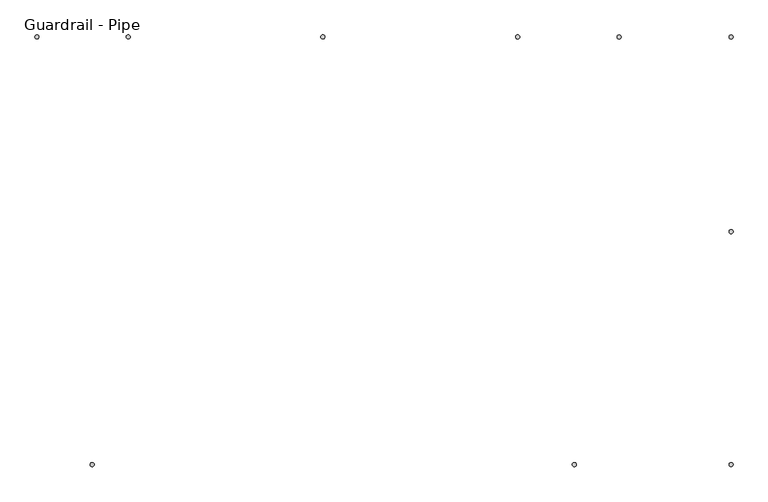
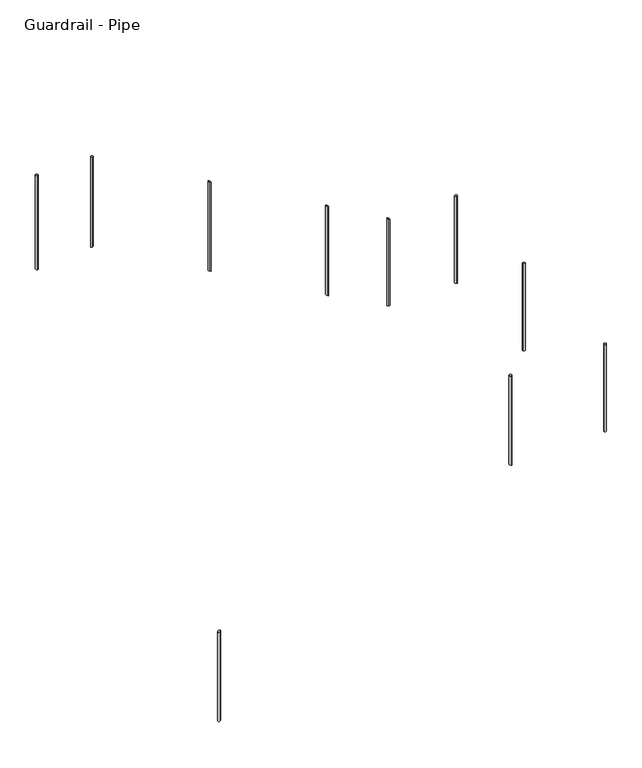
"""IFC4 building model written with IfcOpenShell, lengths in millimetres: railing geometry, Guardrail - Pipe."""

from ifc_helpers import new_model, si_unit, point, frame, frame_2d, origin, origin_with_axes, place, context, project, spatial, circle_curve, ellipse_curve, trimmed, segment, composite_curve, outline, extrude, source, transform, mapped, element, save
from ifc_brep_helpers import plane_surface, cylinder_surface, advanced_brep


def guardrail_pipe_e0b68797(model_context):
    return source(origin(), model_context, "Body", "SolidModel", [
        extrude(outline(composite_curve([segment(trimmed(circle_curve(frame_2d((6728.7452881, -22302.0340928)), 12.7), [point((6716.0452881, -22302.0340928))], [point((6741.4452881, -22302.0340928))], False, "CARTESIAN"), True, "CONTINUOUS"), segment(trimmed(circle_curve(frame_2d((6728.7452881, -22302.0340928)), 12.7), [point((6741.4452881, -22302.0340928))], [point((6716.0452881, -22302.0340928))], False, "CARTESIAN"), True, "CONTINUOUS")], self_intersect=False)), frame((0.0, 0.0, -1673.0869565), z_axis=(0.0, 0.0, 1.0), x_axis=(1.0, 0.0, 0.0)), (0.0, 0.0, 1.0), 952.5),
        advanced_brep(
        [(5392.1904629, -21070.1340928, -364.8447391), (5392.1904629, -21095.5340928, -364.8447391), (5392.1904629, -21095.5340928, -1338.1137166), (5392.1904629, -21070.1340928, -1338.1137166)],
        [
            (0, 1, ellipse_curve(frame((5392.1904629, -21082.8340928, -364.8447391), z_axis=(-0.4997041800472086, 0.0, -0.8661961281622926), x_axis=(-0.8661961281622927, 0.0, 0.49970418004720873)), 14.6618065, 12.7)),
            (1, 2),
            (2, 3, ellipse_curve(frame((5392.1904629, -21082.8340928, -1338.1137166), z_axis=(0.5002134764839171, 0.0, 0.8659021179924863), x_axis=(-0.8659021179924862, 0.0, 0.5002134764839172)), 14.6667848, 12.7)),
            (3, 0),
            (3, 2, ellipse_curve(frame((5392.1904629, -21082.8340928, -1338.1137166), z_axis=(0.5002134764839171, 0.0, 0.8659021179924863), x_axis=(-0.8659021179924862, 0.0, 0.5002134764839172)), 14.6667848, 12.7)),
            (1, 0, ellipse_curve(frame((5392.1904629, -21082.8340928, -364.8447391), z_axis=(-0.4997041800472086, 0.0, -0.8661961281622926), x_axis=(-0.8661961281622927, 0.0, 0.49970418004720873)), 14.6618065, 12.7)),
        ],
        [
            cylinder_surface(frame((5392.1904629, -21082.8340928, -1566.7137166), z_axis=(0.0, 0.0, 1.0), x_axis=(0.0, -1.0, 0.0)), 12.7),
            plane_surface(frame((5417.5904629, -21108.2340928, -379.4978711), z_axis=(0.4997041800472086, 0.0, 0.8661961281622926), x_axis=(0.0, 1.0, 0.0))),
            plane_surface(frame((5366.7904629, -21108.2340928, -1323.4406698), z_axis=(-0.5002134764839171, 0.0, -0.8659021179924863), x_axis=(0.0, 1.0, 0.0))),
        ],
        [
            (0, [[1, 2, 3, 4]]),
            (0, [[5, -2, 6, -4]]),
            (1, [[-6, -1]]),
            (2, [[-5, -3]]),
        ],
    ),
        advanced_brep(
        [(4172.9904629, -21070.1340928, 329.0872767), (4172.9904629, -21095.5340928, 329.0872767), (4172.9904629, -21095.5340928, -644.1817008), (4172.9904629, -21070.1340928, -644.1817008)],
        [
            (0, 1, ellipse_curve(frame((4172.9904629, -21082.8340928, 329.0872767), z_axis=(-0.4997041800472086, 0.0, -0.8661961281622926), x_axis=(-0.8661961281622927, 0.0, 0.49970418004720873)), 14.6618065, 12.7)),
            (1, 2),
            (2, 3, ellipse_curve(frame((4172.9904629, -21082.8340928, -644.1817008), z_axis=(0.5002134764839171, 0.0, 0.8659021179924863), x_axis=(-0.8659021179924862, 0.0, 0.5002134764839172)), 14.6667848, 12.7)),
            (3, 0),
            (3, 2, ellipse_curve(frame((4172.9904629, -21082.8340928, -644.1817008), z_axis=(0.5002134764839171, 0.0, 0.8659021179924863), x_axis=(-0.8659021179924862, 0.0, 0.5002134764839172)), 14.6667848, 12.7)),
            (1, 0, ellipse_curve(frame((4172.9904629, -21082.8340928, 329.0872767), z_axis=(-0.4997041800472086, 0.0, -0.8661961281622926), x_axis=(-0.8661961281622927, 0.0, 0.49970418004720873)), 14.6618065, 12.7)),
        ],
        [
            cylinder_surface(frame((4172.9904629, -21082.8340928, -872.7817008), z_axis=(0.0, 0.0, 1.0), x_axis=(0.0, -1.0, 0.0)), 12.7),
            plane_surface(frame((4198.3904629, -21108.2340928, 314.4341447), z_axis=(0.4997041800472086, 0.0, 0.8661961281622926), x_axis=(0.0, 1.0, 0.0))),
            plane_surface(frame((4147.5904629, -21108.2340928, -629.508654), z_axis=(-0.5002134764839171, 0.0, -0.8659021179924863), x_axis=(0.0, 1.0, 0.0))),
        ],
        [
            (0, [[1, 2, 3, 4]]),
            (0, [[5, -2, 6, -4]]),
            (1, [[-6, -1]]),
            (2, [[-5, -3]]),
        ],
    ),
        advanced_brep(
        [(5747.7904629, -23772.7087769, -720.5869565), (5747.7904629, -23747.3087769, -720.5869565), (5747.7904629, -23747.3087769, -1698.7854413), (5747.7904629, -23772.7087769, -1698.7854413)],
        [
            (0, 1, circle_curve(frame((5747.7904629, -23760.0087769, -720.5869565), z_axis=(0.0, 0.0, -1.0), x_axis=(0.0, 1.0, 0.0)), 12.7)),
            (1, 2),
            (2, 3, ellipse_curve(frame((5747.7904629, -23760.0087769, -1698.7854413), z_axis=(0.5002134764839166, 0.0, 0.8659021179924866), x_axis=(-0.8659021179924866, 0.0, 0.5002134764839167)), 14.6667848, 12.7)),
            (3, 0),
            (3, 2, ellipse_curve(frame((5747.7904629, -23760.0087769, -1698.7854413), z_axis=(0.5002134764839166, 0.0, 0.8659021179924866), x_axis=(-0.8659021179924866, 0.0, 0.5002134764839167)), 14.6667848, 12.7)),
            (1, 0, circle_curve(frame((5747.7904629, -23760.0087769, -720.5869565), z_axis=(0.0, 0.0, -1.0), x_axis=(0.0, 1.0, 0.0)), 12.7)),
        ],
        [
            cylinder_surface(frame((5747.7904629, -23760.0087769, -1927.3854413), z_axis=(0.0, 0.0, 1.0), x_axis=(0.0, 1.0, 0.0)), 12.7),
            plane_surface(frame((5722.3904629, -23734.6087769, -720.5869565), z_axis=(0.0, 0.0, 1.0), x_axis=(0.0, -1.0, 0.0))),
            plane_surface(frame((5773.1904629, -23734.6087769, -1713.4584881), z_axis=(-0.5002134764839166, 0.0, -0.8659021179924866), x_axis=(0.0, -1.0, 0.0))),
        ],
        [
            (0, [[1, 2, 3, 4]]),
            (0, [[5, -2, 6, -4]]),
            (1, [[-6, -1]]),
            (2, [[-5, -3]]),
        ],
    ),
        extrude(outline(composite_curve([segment(trimmed(circle_curve(frame_2d((6728.7452881, -23760.0087769)), 12.7), [point((6716.0452881, -23760.0087769))], [point((6741.4452881, -23760.0087769))], False, "CARTESIAN"), True, "CONTINUOUS"), segment(trimmed(circle_curve(frame_2d((6728.7452881, -23760.0087769)), 12.7), [point((6741.4452881, -23760.0087769))], [point((6716.0452881, -23760.0087769))], False, "CARTESIAN"), True, "CONTINUOUS")], self_intersect=False)), frame((0.0, 0.0, -1673.0869565), z_axis=(0.0, 0.0, 1.0), x_axis=(1.0, 0.0, 0.0)), (0.0, 0.0, 1.0), 952.5),
        extrude(outline(composite_curve([segment(trimmed(circle_curve(frame_2d((6728.7452881, -21082.8340928)), 12.7), [point((6728.7452881, -21095.5340928))], [point((6728.7452881, -21070.1340928))], False, "CARTESIAN"), True, "CONTINUOUS"), segment(trimmed(circle_curve(frame_2d((6728.7452881, -21082.8340928)), 12.7), [point((6728.7452881, -21070.1340928))], [point((6728.7452881, -21095.5340928))], False, "CARTESIAN"), True, "CONTINUOUS")], self_intersect=False)), frame((0.0, 0.0, -1673.0869565), z_axis=(0.0, 0.0, 1.0), x_axis=(1.0, 0.0, 0.0)), (0.0, 0.0, 1.0), 952.5),
        advanced_brep(
        [(6027.1904629, -21070.1340928, -726.3260431), (6027.1904629, -21095.5340928, -726.3260431), (6027.1904629, -21095.5340928, -1673.0869565), (6027.1904629, -21070.1340928, -1673.0869565)],
        [
            (0, 1, ellipse_curve(frame((6027.1904629, -21082.8340928, -726.3260431), z_axis=(-0.49465847024287646, 0.0, -0.8690874511906022), x_axis=(-0.8690874511906022, 0.0, 0.4946584702428766)), 14.6130289, 12.7)),
            (1, 2),
            (2, 3, circle_curve(frame((6027.1904629, -21082.8340928, -1673.0869565), z_axis=(0.0, 0.0, 1.0), x_axis=(0.0, -1.0, 0.0)), 12.7)),
            (3, 0),
            (3, 2, circle_curve(frame((6027.1904629, -21082.8340928, -1673.0869565), z_axis=(0.0, 0.0, 1.0), x_axis=(0.0, -1.0, 0.0)), 12.7)),
            (1, 0, ellipse_curve(frame((6027.1904629, -21082.8340928, -726.3260431), z_axis=(-0.49465847024287646, 0.0, -0.8690874511906022), x_axis=(-0.8690874511906022, 0.0, 0.4946584702428766)), 14.6130289, 12.7)),
        ],
        [
            cylinder_surface(frame((6027.1904629, -21082.8340928, -1901.6869565), z_axis=(0.0, 0.0, 1.0), x_axis=(0.0, -1.0, 0.0)), 12.7),
            plane_surface(frame((6052.5904629, -21108.2340928, -740.7829601), z_axis=(0.49465847024287646, 0.0, 0.8690874511906022), x_axis=(0.0, 1.0, 0.0))),
            plane_surface(frame((6001.7904629, -21108.2340928, -1673.0869565), z_axis=(0.0, 0.0, -1.0), x_axis=(0.0, 1.0, 0.0))),
        ],
        [
            (0, [[1, 2, 3, 4]]),
            (0, [[5, -2, 6, -4]]),
            (1, [[-6, -1]]),
            (2, [[-5, -3]]),
        ],
    ),
        advanced_brep(
        [(2953.7904629, -21070.1340928, 1028.7), (2953.7904629, -21095.5340928, 1028.7), (2953.7904629, -21095.5340928, 49.750315), (2953.7904629, -21070.1340928, 49.750315)],
        [
            (0, 1, circle_curve(frame((2953.7904629, -21082.8340928, 1028.7), z_axis=(0.0, 0.0, -1.0), x_axis=(0.0, -1.0, 0.0)), 12.7)),
            (1, 2),
            (2, 3, ellipse_curve(frame((2953.7904629, -21082.8340928, 49.750315), z_axis=(-0.4946584702428729, 0.0, 0.8690874511906044), x_axis=(0.8690874511906046, 0.0, 0.49465847024287235)), 14.6130289, 12.7)),
            (3, 0),
            (3, 2, ellipse_curve(frame((2953.7904629, -21082.8340928, 49.750315), z_axis=(-0.4946584702428729, 0.0, 0.8690874511906044), x_axis=(0.8690874511906046, 0.0, 0.49465847024287235)), 14.6130289, 12.7)),
            (1, 0, circle_curve(frame((2953.7904629, -21082.8340928, 1028.7), z_axis=(0.0, 0.0, -1.0), x_axis=(0.0, -1.0, 0.0)), 12.7)),
        ],
        [
            cylinder_surface(frame((2953.7904629, -21082.8340928, -178.849685), z_axis=(0.0, 0.0, 1.0), x_axis=(0.0, -1.0, 0.0)), 12.7),
            plane_surface(frame((2979.1904629, -21108.2340928, 1028.7), z_axis=(0.0, 0.0, 1.0), x_axis=(0.0, 1.0, 0.0))),
            plane_surface(frame((2928.3904629, -21108.2340928, 35.293398), z_axis=(0.4946584702428729, 0.0, -0.8690874511906044), x_axis=(0.0, 1.0, 0.0))),
        ],
        [
            (0, [[1, 2, 3, 4]]),
            (0, [[5, -2, 6, -4]]),
            (1, [[-6, -1]]),
            (2, [[-5, -3]]),
        ],
    ),
        advanced_brep(
        [(2728.2452881, -23772.7087769, -2468.4327665), (2728.2452881, -23747.3087769, -2468.4327665), (2728.2452881, -23747.3087769, -3443.1133023), (2728.2452881, -23772.7087769, -3443.1133023)],
        [
            (0, 1, ellipse_curve(frame((2728.2452881, -23760.0087769, -2468.4327665), z_axis=(0.4997041800472086, 0.0, -0.8661961281622926), x_axis=(0.8661961281622927, 0.0, 0.49970418004720873)), 14.6618065, 12.7)),
            (1, 2),
            (2, 3, ellipse_curve(frame((2728.2452881, -23760.0087769, -3443.1133023), z_axis=(-0.5002134764839168, 0.0, 0.8659021179924865), x_axis=(0.8659021179924864, 0.0, 0.5002134764839169)), 14.6667848, 12.7)),
            (3, 0),
            (3, 2, ellipse_curve(frame((2728.2452881, -23760.0087769, -3443.1133023), z_axis=(-0.5002134764839168, 0.0, 0.8659021179924865), x_axis=(0.8659021179924864, 0.0, 0.5002134764839169)), 14.6667848, 12.7)),
            (1, 0, ellipse_curve(frame((2728.2452881, -23760.0087769, -2468.4327665), z_axis=(0.4997041800472086, 0.0, -0.8661961281622926), x_axis=(0.8661961281622927, 0.0, 0.49970418004720873)), 14.6618065, 12.7)),
        ],
        [
            cylinder_surface(frame((2728.2452881, -23760.0087769, -3671.7133023), z_axis=(0.0, 0.0, 1.0), x_axis=(0.0, 1.0, 0.0)), 12.7),
            plane_surface(frame((2702.8452881, -23734.6087769, -2483.0858984), z_axis=(-0.4997041800472086, 0.0, 0.8661961281622926), x_axis=(0.0, -1.0, 0.0))),
            plane_surface(frame((2753.6452881, -23734.6087769, -3428.4402555), z_axis=(0.5002134764839168, 0.0, -0.8659021179924865), x_axis=(0.0, -1.0, 0.0))),
        ],
        [
            (0, [[1, 2, 3, 4]]),
            (0, [[5, -2, 6, -4]]),
            (1, [[-6, -1]]),
            (2, [[-5, -3]]),
        ],
    ),
        extrude(outline(composite_curve([segment(trimmed(circle_curve(frame_2d((2382.2904629, -21082.8340928)), 12.7), [point((2382.2904629, -21095.5340928))], [point((2382.2904629, -21070.1340928))], False, "CARTESIAN"), True, "CONTINUOUS"), segment(trimmed(circle_curve(frame_2d((2382.2904629, -21082.8340928)), 12.7), [point((2382.2904629, -21070.1340928))], [point((2382.2904629, -21095.5340928))], False, "CARTESIAN"), True, "CONTINUOUS")], self_intersect=False)), origin_with_axes(), (0.0, 0.0, 1.0), 1028.7),
    ])


if __name__ == "__main__":
    model = new_model("IFC4")
    model_context = context("Model", 3, world=origin())
    ifc_project = project(units=[si_unit("LENGTHUNIT", "METRE", prefix="MILLI")], contexts=[model_context])
    site = spatial("IfcSite", under=ifc_project)
    building = spatial("IfcBuilding", under=site)
    placement = place(None, origin())
    guardrail_pipe_shape = guardrail_pipe_e0b68797(model_context)
    element("IfcRailing", 1, ObjectType="Guardrail - Pipe", at=placement, inside=building, context=model_context, shape_type="MappedRepresentation", body=[
        mapped(guardrail_pipe_shape, transform((0.0, 0.0, 0.0), x_axis=(1.0, 0.0, 0.0), y_axis=(0.0, 1.0, 0.0), z_axis=(0.0, 0.0, 1.0))),
    ])
    save(model, "model.ifc")
